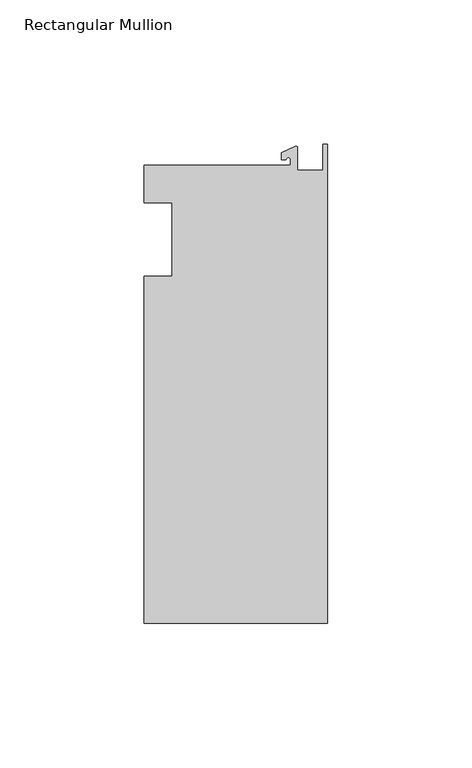
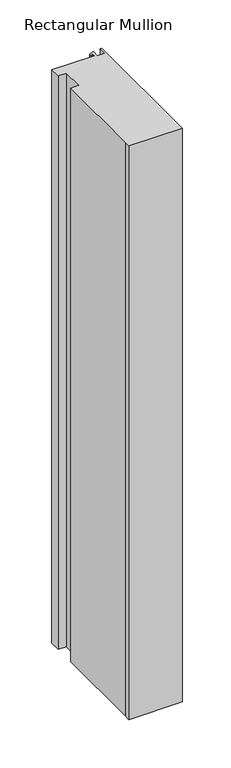
"""IFC4 building model written with IfcOpenShell, lengths in millimetres: member geometry, Rectangular Mullion."""

import ifcopenshell
import ifcopenshell.guid

model = None  # the IFC model being written
_history = None  # IfcOwnerHistory: only IFC2X3 demands one
_inside = {}  # id of a spatial element -> (the spatial element, [elements in it])
_under = {}  # id of a project, library or spatial element -> (it, [spatial elements below it])
_declared = {}  # id of a project -> (the project, [libraries it declares])
_typed = {}  # id of a type object -> (the type object, [elements of that type])
_made_of = {}  # id of a material, layer set ... -> (it, [elements and type objects made of it])


def new_model(schema):
    """Start an empty IFC model of exactly this schema.

    Asked for "IFC4X3", IfcOpenShell would pick the latest addendum, in which some entities
    have other attributes; the version numbers below select the first issue.
    IFC2X3 requires an IfcOwnerHistory on every rooted entity: one is made here for all.
    """
    global model, _history
    if schema == "IFC4X3":
        model = ifcopenshell.file(schema_version=(4, 3, 0, 0))
    else:
        model = ifcopenshell.file(schema=schema)
    _inside.clear()
    _under.clear()
    _declared.clear()
    _typed.clear()
    _made_of.clear()
    _history = None
    if model.schema == "IFC2X3":
        org = make("IfcOrganization", Name="unknown")
        user = make(
            "IfcPersonAndOrganization",
            ThePerson=make("IfcPerson", FamilyName="unknown"),
            TheOrganization=org,
        )
        app = make(
            "IfcApplication",
            ApplicationDeveloper=org,
            Version="unknown",
            ApplicationFullName="unknown",
            ApplicationIdentifier="unknown",
        )
        _history = make(
            "IfcOwnerHistory",
            OwningUser=user,
            OwningApplication=app,
            ChangeAction="ADDED",
            CreationDate=0,
        )
    return model


def make(cls, **values):
    """One entity of the class cls with the attributes given. An attribute that is None is left unset."""
    return model.create_entity(
        cls, **{name: value for name, value in values.items() if value is not None}
    )


def rooted(cls, **values):
    """An entity with a GlobalId (a new one), such as an element, a storey or a relation."""
    return make(cls, GlobalId=ifcopenshell.guid.new(), OwnerHistory=_history, **values)


def si_unit(unit_type, name, prefix=None):
    """IfcSIUnit, for example si_unit("LENGTHUNIT", "METRE", prefix="MILLI")."""
    return make("IfcSIUnit", UnitType=unit_type, Prefix=prefix, Name=name)


def assignment(units):
    """IfcUnitAssignment: the units of a project."""
    return None if units is None else make("IfcUnitAssignment", Units=units)


def point(xyz):
    """IfcCartesianPoint."""
    return None if xyz is None else make("IfcCartesianPoint", Coordinates=xyz)


def direction(xyz):
    """IfcDirection."""
    return None if xyz is None else make("IfcDirection", DirectionRatios=xyz)


def frame(location, z_axis=None, x_axis=None):
    """IfcAxis2Placement3D, a coordinate frame: its origin and axes. An axis left out is left unset."""
    return make(
        "IfcAxis2Placement3D",
        Location=point(location),
        Axis=direction(z_axis),
        RefDirection=direction(x_axis),
    )


def frame_2d(location, x_axis=None):
    """IfcAxis2Placement2D, a coordinate frame in the plane: its origin and x axis."""
    return make(
        "IfcAxis2Placement2D", Location=point(location), RefDirection=direction(x_axis)
    )


def origin():
    """The frame at (0, 0, 0) with its axes left unset."""
    return frame((0.0, 0.0, 0.0))


def place(relative_to, where):
    """IfcLocalPlacement: puts the frame where relative to a parent placement (None: the world)."""
    return make(
        "IfcLocalPlacement", PlacementRelTo=relative_to, RelativePlacement=where
    )


def context(
    kind, dimensions, precision=None, world=None, true_north=None, identifier=None
):
    """IfcGeometricRepresentationContext, for example the 3D "Model" context."""
    return make(
        "IfcGeometricRepresentationContext",
        ContextIdentifier=identifier,
        ContextType=kind,
        CoordinateSpaceDimension=dimensions,
        Precision=precision,
        WorldCoordinateSystem=world,
        TrueNorth=true_north,
    )


def project(units=None, contexts=None):
    """IfcProject with its units and contexts."""
    return rooted(
        "IfcProject",
        Name="project",
        RepresentationContexts=contexts,
        UnitsInContext=assignment(units),
    )


def spatial(cls, under=None, at=None, **own):
    """A site, building, storey or space (cls), placed at a placement, below another one or the project."""
    s = rooted(cls, ObjectPlacement=at, **own)
    if under is not None:
        _under.setdefault(under.id(), (under, []))[1].append(s)
    return s


def polyline(points):
    """IfcPolyline through the points."""
    return make("IfcPolyline", Points=[point(p) for p in points])


def circle_curve(where, radius):
    """IfcCircle in the frame where."""
    return make("IfcCircle", Position=where, Radius=radius)


def trimmed(basis, trim1, trim2, sense, master):
    """IfcTrimmedCurve: the piece of a basis curve between two trims."""
    return make(
        "IfcTrimmedCurve",
        BasisCurve=basis,
        Trim1=trim1,
        Trim2=trim2,
        SenseAgreement=sense,
        MasterRepresentation=master,
    )


def segment(curve, same_sense, transition):
    """IfcCompositeCurveSegment."""
    return make(
        "IfcCompositeCurveSegment",
        Transition=transition,
        SameSense=same_sense,
        ParentCurve=curve,
    )


def composite_curve(segments, self_intersect=None):
    """IfcCompositeCurve: segments joined end to end."""
    return make("IfcCompositeCurve", Segments=segments, SelfIntersect=self_intersect)


def outline(outer, holes=None, kind="AREA"):
    """IfcArbitraryClosedProfileDef: a profile drawn as a closed curve; with holes, ...WithVoids."""
    if holes is None:
        return make("IfcArbitraryClosedProfileDef", ProfileType=kind, OuterCurve=outer)
    return make(
        "IfcArbitraryProfileDefWithVoids",
        ProfileType=kind,
        OuterCurve=outer,
        InnerCurves=holes,
    )


def extrude(swept, where, along, depth):
    """IfcExtrudedAreaSolid: the profile swept, set in the frame where, extruded along a direction by depth."""
    return make(
        "IfcExtrudedAreaSolid",
        SweptArea=swept,
        Position=where,
        ExtrudedDirection=direction(along),
        Depth=depth,
    )


def shape(context_of_items, identifier, shape_type, items):
    """IfcShapeRepresentation: the items that make up one representation, for example the "Body"."""
    return make(
        "IfcShapeRepresentation",
        ContextOfItems=context_of_items,
        RepresentationIdentifier=identifier,
        RepresentationType=shape_type,
        Items=items,
    )


def source(mapping_origin, context_of_items, identifier, shape_type, items):
    """IfcRepresentationMap: a shape defined once, which mapped items show again and again."""
    return make(
        "IfcRepresentationMap",
        MappingOrigin=mapping_origin,
        MappedRepresentation=shape(context_of_items, identifier, shape_type, items),
    )


def transform(
    local_origin,
    x_axis=None,
    y_axis=None,
    z_axis=None,
    scale=None,
    scale2=None,
    scale3=None,
    uniform=True,
):
    """IfcCartesianTransformationOperator3D, or its non-uniform kind. x_axis, y_axis, z_axis: its Axis1, 2, 3."""
    if uniform:
        return make(
            "IfcCartesianTransformationOperator3D",
            Axis1=direction(x_axis),
            Axis2=direction(y_axis),
            LocalOrigin=point(local_origin),
            Scale=scale,
            Axis3=direction(z_axis),
        )
    return make(
        "IfcCartesianTransformationOperator3DnonUniform",
        Axis1=direction(x_axis),
        Axis2=direction(y_axis),
        LocalOrigin=point(local_origin),
        Scale=scale,
        Axis3=direction(z_axis),
        Scale2=scale2,
        Scale3=scale3,
    )


def mapped(mapping_source, mapping_target):
    """IfcMappedItem: shows the shape of a source again, moved by a transform."""
    return make(
        "IfcMappedItem", MappingSource=mapping_source, MappingTarget=mapping_target
    )


def made_of(thing, what):
    """Note that an element or type object is made of a material, layer set ...; save() writes the relation."""
    if what is not None:
        _made_of.setdefault(what.id(), (what, []))[1].append(thing)
    return thing


def element(
    cls,
    number,
    at=None,
    inside=None,
    cuts=None,
    type_object=None,
    material=None,
    context=None,
    identifier="Body",
    shape_type=None,
    held_by="IfcProductDefinitionShape",
    body=None,
    shapes=None,
    **own,
):
    """One element of the class cls, such as IfcWall. Its Tag is "e" and its number.

    at: its placement. inside: the storey or other place that contains it. cuts: it is an
    opening in that element (IfcRelVoidsElement). A single representation is given by context,
    identifier, shape_type and body (its items); several are given by shapes. held_by: the class
    of the entity that holds the representations. save() writes the other relations.
    """
    e = rooted(cls, Tag="e%d" % number, ObjectPlacement=at, **own)
    if body is not None:
        shapes = [shape(context, identifier, shape_type, body)]
    if shapes is not None:
        e.Representation = make(held_by, Representations=shapes)
    if inside is not None:
        _inside.setdefault(inside.id(), (inside, []))[1].append(e)
    if cuts is not None:
        rooted(
            "IfcRelVoidsElement", RelatingBuildingElement=cuts, RelatedOpeningElement=e
        )
    if type_object is not None:
        _typed.setdefault(type_object.id(), (type_object, []))[1].append(e)
    return made_of(e, material)


def aggregate(whole, parts):
    """IfcRelAggregates: a whole, such as a stair, and the parts it consists of."""
    return rooted("IfcRelAggregates", RelatingObject=whole, RelatedObjects=parts)


def save(model, path):
    """Write the relations noted so far, then the file.

    IfcRelAggregates (storeys below a building ...), IfcRelContainedInSpatialStructure (elements
    in a storey), IfcRelDefinesByType, IfcRelAssociatesMaterial and IfcRelDeclares: one each for
    every whole, place, type object, material and project.
    """
    for whole, parts in _under.values():
        aggregate(whole, parts)
    for where, things in _inside.values():
        rooted(
            "IfcRelContainedInSpatialStructure",
            RelatedElements=things,
            RelatingStructure=where,
        )
    for kind, things in _typed.values():
        rooted("IfcRelDefinesByType", RelatedObjects=things, RelatingType=kind)
    for what, things in _made_of.values():
        rooted("IfcRelAssociatesMaterial", RelatedObjects=things, RelatingMaterial=what)
    for by, libraries in _declared.values():
        rooted("IfcRelDeclares", RelatingContext=by, RelatedDefinitions=libraries)
    model.write(path)


def rectangular_mullion_d0195630(model_context):
    return source(origin(), model_context, "Body", "SweptSolid", [
        extrude(outline(composite_curve([segment(polyline([(-12.8216721, 25.5984375), (-12.8216721, 27.5208534)]), True, "CONTINUOUS"), segment(trimmed(circle_curve(frame_2d((-13.6154221, 27.5208534)), 0.79375), [point((-12.8216721, 27.5208534))], [point((-14.4091721, 27.5208534))], True, "CARTESIAN"), True, "CONTINUOUS"), segment(polyline([(-14.4091721, 27.5208534), (-15.9966721, 27.5208534), (-15.9966721, 29.8830527), (-11.1567622, 32.1399398)]), True, "CONTINUOUS"), segment(trimmed(circle_curve(frame_2d((-10.9420721, 31.6795354)), 0.508), [point((-11.1567622, 32.1399398))], [point((-10.4340721, 31.6795354))], False, "CARTESIAN"), True, "CONTINUOUS"), segment(polyline([(-10.4340721, 31.6795354), (-10.4340721, 23.9227662), (-1.7144124, 23.9227662), (-1.5566453, 32.810012), (0.0, 32.810012), (0.0, -132.822512), (-63.5, -132.822512), (-63.5, -125.075512), (-63.5, -12.7), (-53.975, -12.7), (-53.975, 12.7), (-63.5, 12.7), (-63.5, 25.5984375), (-12.8216721, 25.5984375)]), True, "CONTINUOUS")], self_intersect=False)), frame((0.0, 0.0, -722.3178263), z_axis=(0.0, 0.0, 1.0), x_axis=(1.0, 0.0, 0.0)), (0.0, 0.0, 1.0), 722.3178263),
    ])


if __name__ == "__main__":
    model = new_model("IFC4")
    model_context = context("Model", 3, world=origin())
    ifc_project = project(units=[si_unit("LENGTHUNIT", "METRE", prefix="MILLI")], contexts=[model_context])
    site = spatial("IfcSite", under=ifc_project)
    building = spatial("IfcBuilding", under=site)
    placement = place(None, origin())
    rectangular_mullion_shape = rectangular_mullion_d0195630(model_context)
    element("IfcMember", 1, ObjectType="Rectangular Mullion", at=placement, inside=building, context=model_context, shape_type="MappedRepresentation", body=[
        mapped(rectangular_mullion_shape, transform((0.0, 0.0, 0.0), x_axis=(1.0, 0.0, 0.0), y_axis=(0.0, 1.0, 0.0), z_axis=(0.0, 0.0, 1.0))),
    ])
    save(model, "model.ifc")
